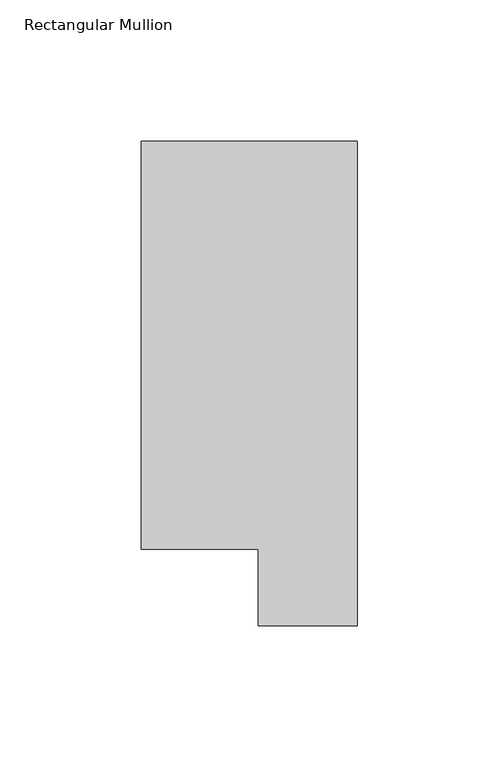
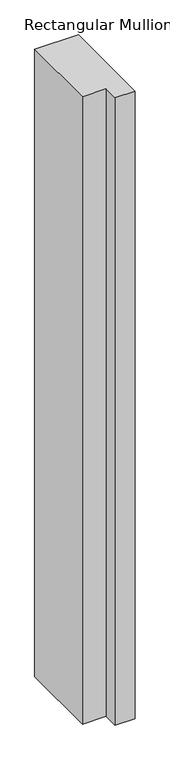
"""IFC4 building model written with IfcOpenShell, lengths in millimetres: member geometry, Rectangular Mullion."""

from ifc_helpers import new_model, si_unit, frame, origin, place, context, project, spatial, polyline, outline, extrude, source, transform, mapped, element, save


def rectangular_mullion_c3d26b95(model_context):
    return source(origin(), model_context, "Body", "SweptSolid", [
        extrude(outline(polyline([(0.0, 190.7881313), (0.0, 19.5667312), (-34.9123, 19.5667312), (-34.9123, 46.7447302), (-76.2, 46.7447302), (-76.2, 190.7881313), (0.0, 190.7881313)])), frame((0.0, 0.0, -1155.6999996), z_axis=(0.0, 0.0, 1.0), x_axis=(1.0, 0.0, 0.0)), (0.0, 0.0, 1.0), 1155.6999996),
    ])


if __name__ == "__main__":
    model = new_model("IFC4")
    model_context = context("Model", 3, world=origin())
    ifc_project = project(units=[si_unit("LENGTHUNIT", "METRE", prefix="MILLI")], contexts=[model_context])
    site = spatial("IfcSite", under=ifc_project)
    building = spatial("IfcBuilding", under=site)
    placement = place(None, origin())
    rectangular_mullion_shape = rectangular_mullion_c3d26b95(model_context)
    element("IfcMember", 1, ObjectType="Rectangular Mullion", at=placement, inside=building, context=model_context, shape_type="MappedRepresentation", body=[
        mapped(rectangular_mullion_shape, transform((0.0, 0.0, 0.0), x_axis=(1.0, 0.0, 0.0), y_axis=(0.0, 1.0, 0.0), z_axis=(0.0, 0.0, 1.0))),
    ])
    save(model, "model.ifc")
